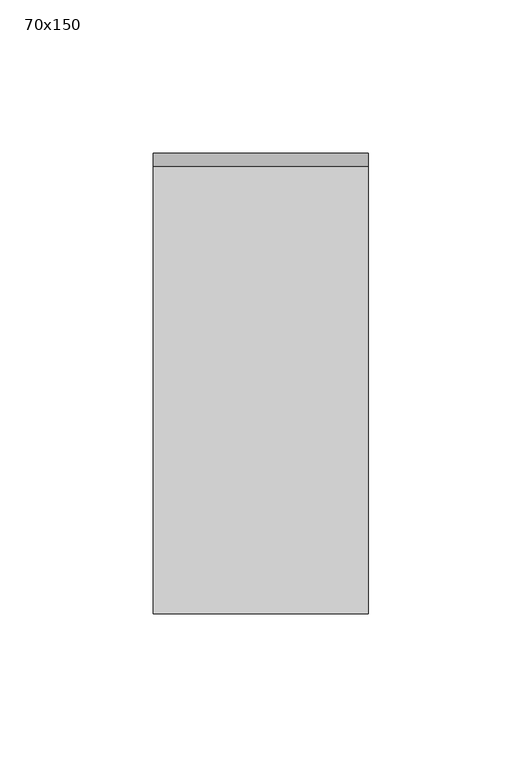
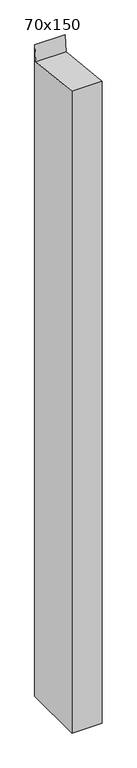
"""IFC4 building model written with IfcOpenShell, lengths in millimetres: member geometry, 70x150."""

import ifcopenshell
import ifcopenshell.guid

model = None  # the IFC model being written
_history = None  # IfcOwnerHistory: only IFC2X3 demands one
_inside = {}  # id of a spatial element -> (the spatial element, [elements in it])
_under = {}  # id of a project, library or spatial element -> (it, [spatial elements below it])
_declared = {}  # id of a project -> (the project, [libraries it declares])
_typed = {}  # id of a type object -> (the type object, [elements of that type])
_made_of = {}  # id of a material, layer set ... -> (it, [elements and type objects made of it])


def new_model(schema):
    """Start an empty IFC model of exactly this schema.

    Asked for "IFC4X3", IfcOpenShell would pick the latest addendum, in which some entities
    have other attributes; the version numbers below select the first issue.
    IFC2X3 requires an IfcOwnerHistory on every rooted entity: one is made here for all.
    """
    global model, _history
    if schema == "IFC4X3":
        model = ifcopenshell.file(schema_version=(4, 3, 0, 0))
    else:
        model = ifcopenshell.file(schema=schema)
    _inside.clear()
    _under.clear()
    _declared.clear()
    _typed.clear()
    _made_of.clear()
    _history = None
    if model.schema == "IFC2X3":
        org = make("IfcOrganization", Name="unknown")
        user = make(
            "IfcPersonAndOrganization",
            ThePerson=make("IfcPerson", FamilyName="unknown"),
            TheOrganization=org,
        )
        app = make(
            "IfcApplication",
            ApplicationDeveloper=org,
            Version="unknown",
            ApplicationFullName="unknown",
            ApplicationIdentifier="unknown",
        )
        _history = make(
            "IfcOwnerHistory",
            OwningUser=user,
            OwningApplication=app,
            ChangeAction="ADDED",
            CreationDate=0,
        )
    return model


def make(cls, **values):
    """One entity of the class cls with the attributes given. An attribute that is None is left unset."""
    return model.create_entity(
        cls, **{name: value for name, value in values.items() if value is not None}
    )


def rooted(cls, **values):
    """An entity with a GlobalId (a new one), such as an element, a storey or a relation."""
    return make(cls, GlobalId=ifcopenshell.guid.new(), OwnerHistory=_history, **values)


def si_unit(unit_type, name, prefix=None):
    """IfcSIUnit, for example si_unit("LENGTHUNIT", "METRE", prefix="MILLI")."""
    return make("IfcSIUnit", UnitType=unit_type, Prefix=prefix, Name=name)


def assignment(units):
    """IfcUnitAssignment: the units of a project."""
    return None if units is None else make("IfcUnitAssignment", Units=units)


def point(xyz):
    """IfcCartesianPoint."""
    return None if xyz is None else make("IfcCartesianPoint", Coordinates=xyz)


def direction(xyz):
    """IfcDirection."""
    return None if xyz is None else make("IfcDirection", DirectionRatios=xyz)


def frame(location, z_axis=None, x_axis=None):
    """IfcAxis2Placement3D, a coordinate frame: its origin and axes. An axis left out is left unset."""
    return make(
        "IfcAxis2Placement3D",
        Location=point(location),
        Axis=direction(z_axis),
        RefDirection=direction(x_axis),
    )


def origin():
    """The frame at (0, 0, 0) with its axes left unset."""
    return frame((0.0, 0.0, 0.0))


def place(relative_to, where):
    """IfcLocalPlacement: puts the frame where relative to a parent placement (None: the world)."""
    return make(
        "IfcLocalPlacement", PlacementRelTo=relative_to, RelativePlacement=where
    )


def context(
    kind, dimensions, precision=None, world=None, true_north=None, identifier=None
):
    """IfcGeometricRepresentationContext, for example the 3D "Model" context."""
    return make(
        "IfcGeometricRepresentationContext",
        ContextIdentifier=identifier,
        ContextType=kind,
        CoordinateSpaceDimension=dimensions,
        Precision=precision,
        WorldCoordinateSystem=world,
        TrueNorth=true_north,
    )


def project(units=None, contexts=None):
    """IfcProject with its units and contexts."""
    return rooted(
        "IfcProject",
        Name="project",
        RepresentationContexts=contexts,
        UnitsInContext=assignment(units),
    )


def spatial(cls, under=None, at=None, **own):
    """A site, building, storey or space (cls), placed at a placement, below another one or the project."""
    s = rooted(cls, ObjectPlacement=at, **own)
    if under is not None:
        _under.setdefault(under.id(), (under, []))[1].append(s)
    return s


def polyline(points):
    """IfcPolyline through the points."""
    return make("IfcPolyline", Points=[point(p) for p in points])


def outline(outer, holes=None, kind="AREA"):
    """IfcArbitraryClosedProfileDef: a profile drawn as a closed curve; with holes, ...WithVoids."""
    if holes is None:
        return make("IfcArbitraryClosedProfileDef", ProfileType=kind, OuterCurve=outer)
    return make(
        "IfcArbitraryProfileDefWithVoids",
        ProfileType=kind,
        OuterCurve=outer,
        InnerCurves=holes,
    )


def extrude(swept, where, along, depth):
    """IfcExtrudedAreaSolid: the profile swept, set in the frame where, extruded along a direction by depth."""
    return make(
        "IfcExtrudedAreaSolid",
        SweptArea=swept,
        Position=where,
        ExtrudedDirection=direction(along),
        Depth=depth,
    )


def shape(context_of_items, identifier, shape_type, items):
    """IfcShapeRepresentation: the items that make up one representation, for example the "Body"."""
    return make(
        "IfcShapeRepresentation",
        ContextOfItems=context_of_items,
        RepresentationIdentifier=identifier,
        RepresentationType=shape_type,
        Items=items,
    )


def source(mapping_origin, context_of_items, identifier, shape_type, items):
    """IfcRepresentationMap: a shape defined once, which mapped items show again and again."""
    return make(
        "IfcRepresentationMap",
        MappingOrigin=mapping_origin,
        MappedRepresentation=shape(context_of_items, identifier, shape_type, items),
    )


def transform(
    local_origin,
    x_axis=None,
    y_axis=None,
    z_axis=None,
    scale=None,
    scale2=None,
    scale3=None,
    uniform=True,
):
    """IfcCartesianTransformationOperator3D, or its non-uniform kind. x_axis, y_axis, z_axis: its Axis1, 2, 3."""
    if uniform:
        return make(
            "IfcCartesianTransformationOperator3D",
            Axis1=direction(x_axis),
            Axis2=direction(y_axis),
            LocalOrigin=point(local_origin),
            Scale=scale,
            Axis3=direction(z_axis),
        )
    return make(
        "IfcCartesianTransformationOperator3DnonUniform",
        Axis1=direction(x_axis),
        Axis2=direction(y_axis),
        LocalOrigin=point(local_origin),
        Scale=scale,
        Axis3=direction(z_axis),
        Scale2=scale2,
        Scale3=scale3,
    )


def mapped(mapping_source, mapping_target):
    """IfcMappedItem: shows the shape of a source again, moved by a transform."""
    return make(
        "IfcMappedItem", MappingSource=mapping_source, MappingTarget=mapping_target
    )


def made_of(thing, what):
    """Note that an element or type object is made of a material, layer set ...; save() writes the relation."""
    if what is not None:
        _made_of.setdefault(what.id(), (what, []))[1].append(thing)
    return thing


def element(
    cls,
    number,
    at=None,
    inside=None,
    cuts=None,
    type_object=None,
    material=None,
    context=None,
    identifier="Body",
    shape_type=None,
    held_by="IfcProductDefinitionShape",
    body=None,
    shapes=None,
    **own,
):
    """One element of the class cls, such as IfcWall. Its Tag is "e" and its number.

    at: its placement. inside: the storey or other place that contains it. cuts: it is an
    opening in that element (IfcRelVoidsElement). A single representation is given by context,
    identifier, shape_type and body (its items); several are given by shapes. held_by: the class
    of the entity that holds the representations. save() writes the other relations.
    """
    e = rooted(cls, Tag="e%d" % number, ObjectPlacement=at, **own)
    if body is not None:
        shapes = [shape(context, identifier, shape_type, body)]
    if shapes is not None:
        e.Representation = make(held_by, Representations=shapes)
    if inside is not None:
        _inside.setdefault(inside.id(), (inside, []))[1].append(e)
    if cuts is not None:
        rooted(
            "IfcRelVoidsElement", RelatingBuildingElement=cuts, RelatedOpeningElement=e
        )
    if type_object is not None:
        _typed.setdefault(type_object.id(), (type_object, []))[1].append(e)
    return made_of(e, material)


def aggregate(whole, parts):
    """IfcRelAggregates: a whole, such as a stair, and the parts it consists of."""
    return rooted("IfcRelAggregates", RelatingObject=whole, RelatedObjects=parts)


def save(model, path):
    """Write the relations noted so far, then the file.

    IfcRelAggregates (storeys below a building ...), IfcRelContainedInSpatialStructure (elements
    in a storey), IfcRelDefinesByType, IfcRelAssociatesMaterial and IfcRelDeclares: one each for
    every whole, place, type object, material and project.
    """
    for whole, parts in _under.values():
        aggregate(whole, parts)
    for where, things in _inside.values():
        rooted(
            "IfcRelContainedInSpatialStructure",
            RelatedElements=things,
            RelatingStructure=where,
        )
    for kind, things in _typed.values():
        rooted("IfcRelDefinesByType", RelatedObjects=things, RelatingType=kind)
    for what, things in _made_of.values():
        rooted("IfcRelAssociatesMaterial", RelatedObjects=things, RelatingMaterial=what)
    for by, libraries in _declared.values():
        rooted("IfcRelDeclares", RelatingContext=by, RelatedDefinitions=libraries)
    model.write(path)


def member_70x150_fb4d22be(model_context):
    return source(origin(), model_context, "Body", "SweptSolid", [
        extrude(outline(polyline([(-75.0, 7.8894794), (70.8124004, -7.8439487), (75.0, 30.9653901), (75.0, -1568.0885402), (-75.0, -1568.0885402), (-75.0, 7.8894794)])), frame((-70.0, 0.0, 0.0), z_axis=(1.0, 0.0, 0.0), x_axis=(0.0, 1.0, 0.0)), (0.0, 0.0, 1.0), 70.0),
    ])


if __name__ == "__main__":
    model = new_model("IFC4")
    model_context = context("Model", 3, world=origin())
    ifc_project = project(units=[si_unit("LENGTHUNIT", "METRE", prefix="MILLI")], contexts=[model_context])
    site = spatial("IfcSite", under=ifc_project)
    building = spatial("IfcBuilding", under=site)
    placement = place(None, origin())
    member_70x150_shape = member_70x150_fb4d22be(model_context)
    element("IfcMember", 1, ObjectType="70x150", at=placement, inside=building, context=model_context, shape_type="MappedRepresentation", body=[
        mapped(member_70x150_shape, transform((0.0, 0.0, 0.0), x_axis=(1.0, 0.0, 0.0), y_axis=(0.0, 1.0, 0.0), z_axis=(0.0, 0.0, 1.0))),
    ])
    save(model, "model.ifc")
